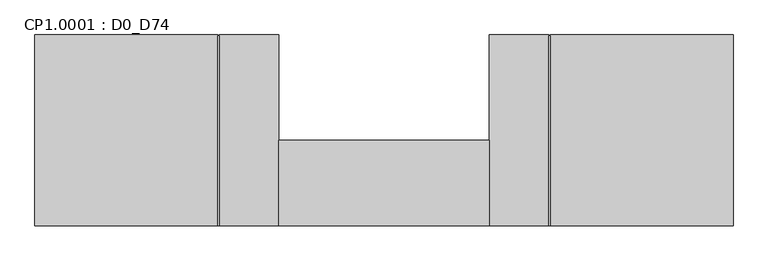
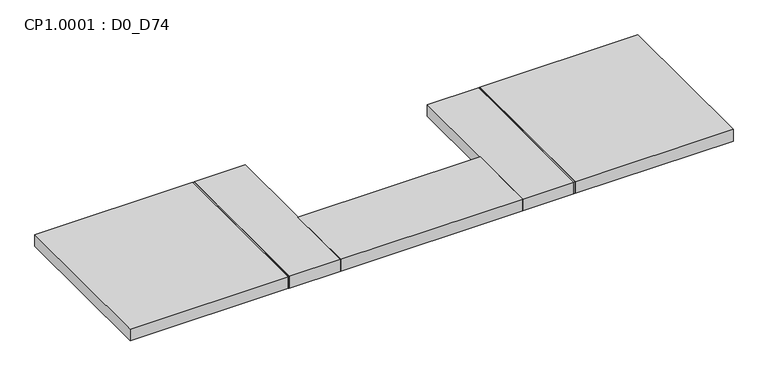
"""IFC4 building model written with IfcOpenShell, lengths in millimetres: proxy geometry, CP1.0001 : D0_D74."""

from ifc_helpers import new_model, si_unit, origin, origin_with_axes, place, context, project, spatial, polyline, outline, extrude, source, transform, mapped, element, save


def cp1_0001_d0_d74_4f1c354c(model_context):
    return source(origin(), model_context, "Body", "SweptSolid", [
        extrude(outline(polyline([(-2192.0, 1997.5), (-2192.0, 1330.0), (-2197.0, 1330.0), (-2197.0, 1997.5), (-2192.0, 1997.5)])), origin_with_axes(), (0.0, 0.0, 1.0), 50.0),
        extrude(outline(polyline([(-2405.0, 1630.0), (-2405.0, 1330.0), (-3145.0, 1330.0), (-3145.0, 1630.0), (-2405.0, 1630.0)])), origin_with_axes(), (0.0, 0.0, 1.0), 50.0),
        extrude(outline(polyline([(-3353.0, 1997.5), (-3353.0, 1330.0), (-3358.0, 1330.0), (-3358.0, 1997.5), (-3353.0, 1997.5)])), origin_with_axes(), (0.0, 0.0, 1.0), 50.0),
        extrude(outline(polyline([(-1550.0, 2000.0), (-1550.0, 1330.0), (-2192.0, 1330.0), (-2192.0, 2000.0), (-1550.0, 2000.0)])), origin_with_axes(), (0.0, 0.0, 1.0), 50.0),
        extrude(outline(polyline([(-2197.0, 2000.0), (-2197.0, 1330.0), (-2405.0, 1330.0), (-2405.0, 2000.0), (-2197.0, 2000.0)])), origin_with_axes(), (0.0, 0.0, 1.0), 50.0),
        extrude(outline(polyline([(-3145.0, 2000.0), (-3145.0, 1330.0), (-3353.0, 1330.0), (-3353.0, 2000.0), (-3145.0, 2000.0)])), origin_with_axes(), (0.0, 0.0, 1.0), 50.0),
        extrude(outline(polyline([(-3358.0, 2000.0), (-3358.0, 1330.0), (-4000.0, 1330.0), (-4000.0, 2000.0), (-3358.0, 2000.0)])), origin_with_axes(), (0.0, 0.0, 1.0), 50.0),
    ])


if __name__ == "__main__":
    model = new_model("IFC4")
    model_context = context("Model", 3, world=origin())
    ifc_project = project(units=[si_unit("LENGTHUNIT", "METRE", prefix="MILLI")], contexts=[model_context])
    site = spatial("IfcSite", under=ifc_project)
    building = spatial("IfcBuilding", under=site)
    placement = place(None, origin())
    cp1_0001_d0_d74_shape = cp1_0001_d0_d74_4f1c354c(model_context)
    element("IfcBuildingElementProxy", 1, Name="CP1.0001 : D0_D74", ObjectType="CP1.0001 : D0_D74", at=placement, inside=building, context=model_context, shape_type="MappedRepresentation", body=[
        mapped(cp1_0001_d0_d74_shape, transform((0.0, 0.0, 0.0), x_axis=(1.0, 0.0, 0.0), y_axis=(0.0, 1.0, 0.0), z_axis=(0.0, 0.0, 1.0))),
    ])
    save(model, "model.ifc")
